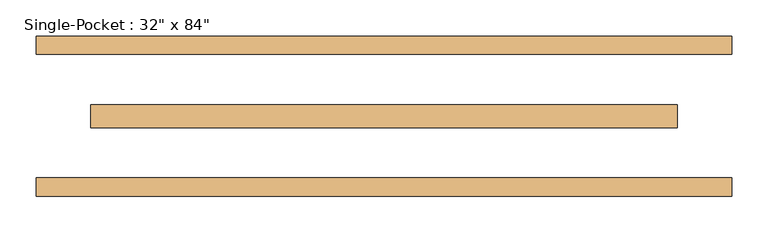
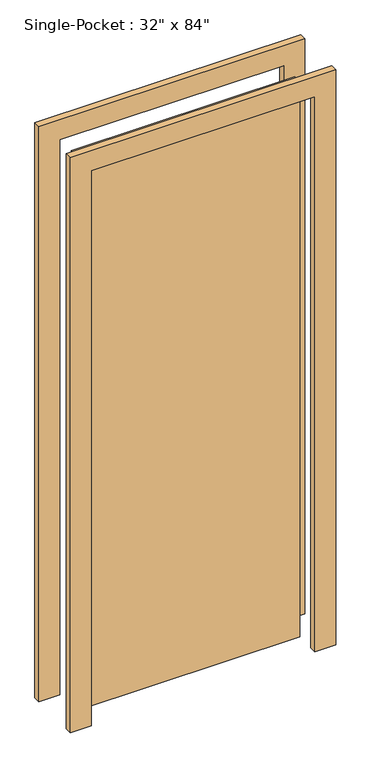
"""IFC4 building model written with IfcOpenShell, lengths in millimetres: door geometry."""

from ifc_helpers import new_model, si_unit, frame, origin, origin_with_axes, place, context, project, spatial, polyline, outline, extrude, source, transform, mapped, element, save


def door_80e233fc(model_context):
    return source(origin(), model_context, "Body", "SweptSolid", [
        extrude(outline(polyline([(-406.4, -15.875), (-406.4, 15.875), (406.4, 15.875), (406.4, -15.875), (-406.4, -15.875)])), origin_with_axes(), (0.0, 0.0, 1.0), 2133.6),
        extrude(outline(polyline([(2133.6, -406.4), (2133.6, 406.4), (0.0, 406.4), (0.0, 482.6), (2209.8, 482.6), (2209.8, -482.6), (0.0, -482.6), (0.0, -406.4), (2133.6, -406.4)])), frame((0.0, 85.725, 0.0), z_axis=(0.0, 1.0, 0.0), x_axis=(0.0, 0.0, 1.0)), (0.0, 0.0, 1.0), 25.4),
        extrude(outline(polyline([(2133.6, -406.4), (2133.6, 406.4), (0.0, 406.4), (0.0, 482.6), (2209.8, 482.6), (2209.8, -482.6), (0.0, -482.6), (0.0, -406.4), (2133.6, -406.4)])), frame((0.0, -111.125, 0.0), z_axis=(0.0, 1.0, 0.0), x_axis=(0.0, 0.0, 1.0)), (0.0, 0.0, 1.0), 25.4),
    ])


if __name__ == "__main__":
    model = new_model("IFC4")
    model_context = context("Model", 3, world=origin())
    ifc_project = project(units=[si_unit("LENGTHUNIT", "METRE", prefix="MILLI")], contexts=[model_context])
    site = spatial("IfcSite", under=ifc_project)
    building = spatial("IfcBuilding", under=site)
    placement = place(None, origin())
    door_shape = door_80e233fc(model_context)
    element("IfcDoor", 1, ObjectType="Single-Pocket : 32\" x 84\"", at=placement, inside=building, context=model_context, shape_type="MappedRepresentation", body=[
        mapped(door_shape, transform((0.0, 0.0, 0.0), x_axis=(1.0, 0.0, 0.0), y_axis=(0.0, 1.0, 0.0), z_axis=(0.0, 0.0, 1.0))),
    ])
    save(model, "model.ifc")
